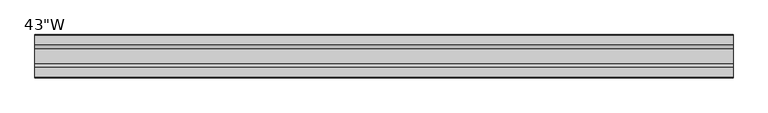
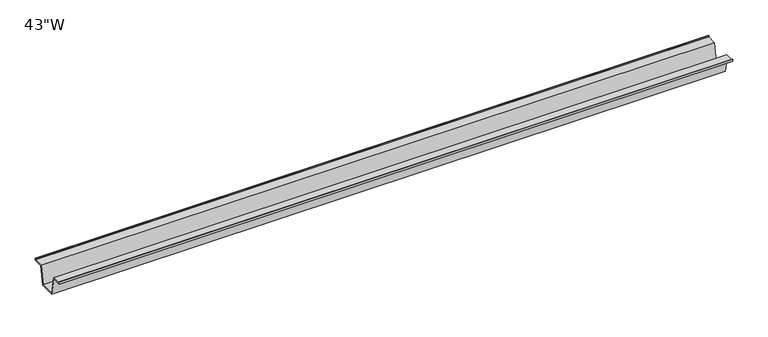
"""IFC4 building model written with IfcOpenShell, lengths in millimetres: furniture geometry."""

from ifc_helpers import new_model, si_unit, frame, origin, place, context, project, spatial, polyline, outline, extrude, source, transform, mapped, element, save


def furniture_9e3692c4(model_context):
    return source(origin(), model_context, "Body", "SweptSolid", [
        extrude(outline(polyline([(-22.9397721, 695.325), (-28.502372, 665.0990007), (-53.9023728, 665.0990007), (-59.4649727, 695.325), (-75.3653716, 695.325), (-75.3653716, 698.5), (-74.5716216, 698.5), (-74.5716216, 696.11875), (-58.8172994, 696.11875), (-53.2546995, 665.8927507), (-29.1500453, 665.8927507), (-23.5874454, 696.11875), (-7.8331232, 696.11875), (-7.8331232, 698.5), (-7.0393732, 698.5), (-7.0393732, 695.325), (-22.9397721, 695.325)])), frame((-549.91, 0.0, 0.0), z_axis=(1.0, 0.0, 0.0), x_axis=(0.0, 1.0, 0.0)), (0.0, 0.0, 1.0), 1099.82),
    ])


if __name__ == "__main__":
    model = new_model("IFC4")
    model_context = context("Model", 3, world=origin())
    ifc_project = project(units=[si_unit("LENGTHUNIT", "METRE", prefix="MILLI")], contexts=[model_context])
    site = spatial("IfcSite", under=ifc_project)
    building = spatial("IfcBuilding", under=site)
    placement = place(None, origin())
    furniture_shape = furniture_9e3692c4(model_context)
    element("IfcFurniture", 1, ObjectType="43\"W", at=placement, inside=building, context=model_context, shape_type="MappedRepresentation", body=[
        mapped(furniture_shape, transform((0.0, 0.0, 0.0), x_axis=(1.0, 0.0, 0.0), y_axis=(0.0, 1.0, 0.0), z_axis=(0.0, 0.0, 1.0))),
    ])
    save(model, "model.ifc")
